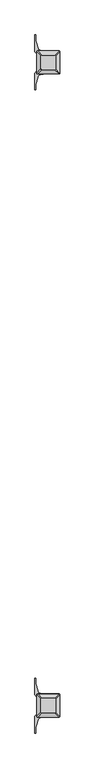
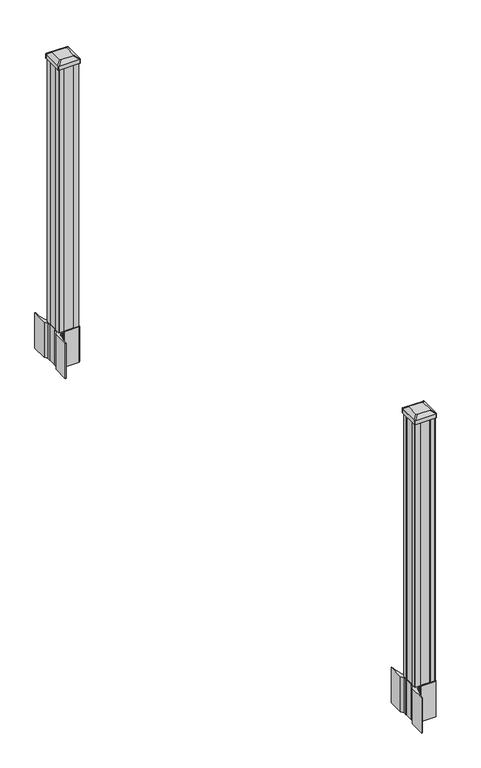
"""IFC4 building model written with IfcOpenShell, lengths in millimetres: railing geometry."""

from ifc_helpers import new_model, si_unit, point, frame, frame_2d, origin, origin_with_axes, place, context, project, spatial, polyline, circle_curve, trimmed, segment, composite_curve, outline, extrude, source, transform, mapped, element, save
from ifc_brep_helpers import plane_surface, extruded_surface, advanced_brep


def railing_b0189b07(model_context):
    return source(origin(), model_context, "Body", "SolidModel", [
        extrude(outline(composite_curve([segment(polyline([(3429.5106918, -83706.6749917), (3431.0981918, -83707.4369917), (3431.0981918, -83730.2389198), (3427.7252147, -83733.6118968), (3366.2655439, -83733.6118968), (3366.2655439, -83734.5326468), (3360.9480001, -83734.5326468), (3360.9480001, -83735.9869015), (3355.8634704, -83735.9869015), (3355.8634704, -83737.2709253), (3354.1961981, -83737.2709253)]), True, "CONTINUOUS"), segment(trimmed(circle_curve(frame_2d((3354.1961981, -83744.3303852)), 7.0594599), [point((3354.1961981, -83737.2709253))], [point((3347.4289352, -83742.3203785))], True, "CARTESIAN"), True, "CONTINUOUS"), segment(polyline([(3347.4289352, -83742.3203785), (3339.554741, -83768.8311076)]), True, "CONTINUOUS"), segment(trimmed(circle_curve(frame_2d((3394.3392543, -83785.1031573)), 57.15), [point((3339.554741, -83768.8311076))], [point((3337.1892543, -83785.1031573))], True, "CARTESIAN"), True, "CONTINUOUS"), segment(polyline([(3337.1892543, -83785.1031573), (3337.1892543, -83797.1118968), (3334.1892543, -83797.1118968), (3334.1892543, -83732.0243968), (3342.4521918, -83720.6861055), (3342.4521918, -83707.4369917), (3344.0396918, -83706.6749917), (3344.0396918, -83671.902802), (3342.4521918, -83671.140802), (3342.4521918, -83657.8916882), (3334.1892543, -83646.5533968), (3334.1892543, -83581.4658968), (3337.1892543, -83581.4658968), (3337.1892543, -83593.4746364)]), True, "CONTINUOUS"), segment(trimmed(circle_curve(frame_2d((3394.3392543, -83593.4746364)), 57.15), [point((3337.1892543, -83593.4746364))], [point((3339.554741, -83609.746686))], True, "CARTESIAN"), True, "CONTINUOUS"), segment(polyline([(3339.554741, -83609.746686), (3347.4289352, -83636.2574151)]), True, "CONTINUOUS"), segment(trimmed(circle_curve(frame_2d((3354.1961981, -83634.2474085)), 7.0594599), [point((3347.4289352, -83636.2574151))], [point((3354.1961981, -83641.3068683))], True, "CARTESIAN"), True, "CONTINUOUS"), segment(polyline([(3354.1961981, -83641.3068683), (3355.8634704, -83641.3068683), (3355.8634704, -83642.5908921), (3360.9480001, -83642.5908921), (3360.9480001, -83644.0451468), (3366.2655439, -83644.0451468), (3366.2655439, -83644.9658968), (3427.7252147, -83644.9658968), (3431.0981918, -83648.3388739), (3431.0981918, -83671.140802), (3429.5106918, -83671.902802), (3429.5106918, -83706.6749917)]), True, "CONTINUOUS")], self_intersect=False), holes=[polyline([(3345.5001918, -83649.6013968), (3345.5001918, -83728.9763968), (3347.0876918, -83730.5638968), (3384.0119744, -83730.5638968), (3426.4626918, -83730.5638968), (3428.0501918, -83728.9763968), (3428.0501918, -83649.6013968), (3426.4626918, -83648.0138968), (3384.0119744, -83648.0138968), (3347.0876918, -83648.0138968), (3345.5001918, -83649.6013968)])]), frame((0.0, 0.0, -152.4), z_axis=(0.0, 0.0, 1.0), x_axis=(1.0, 0.0, 0.0)), (0.0, 0.0, 1.0), 152.4),
        advanced_brep(
        [(3360.9783168, -83718.2607718, 1165.225), (3412.5720668, -83718.2607718, 1165.225), (3415.7470668, -83715.0857718, 1165.225), (3415.7470668, -83663.4920218, 1165.225), (3412.5720668, -83660.3170218, 1165.225), (3360.9783168, -83660.3170218, 1165.225), (3357.8033168, -83663.4920218, 1165.225), (3357.8033168, -83715.0857718, 1165.225), (3344.7064418, -83734.5326468, 1153.922), (3341.5314418, -83731.3576468, 1153.922), (3341.5314418, -83647.2201468, 1153.922), (3344.7064418, -83644.0451468, 1153.922), (3428.8439418, -83644.0451468, 1153.922), (3432.0189418, -83647.2201468, 1153.922), (3432.0189418, -83731.3576468, 1153.922), (3428.8439418, -83734.5326468, 1153.922)],
        [
            (0, 1),
            (1, 2, circle_curve(frame((3412.5720668, -83715.0857718, 1165.225), z_axis=(0.0, 0.0, 1.0), x_axis=(0.0, 1.0, 0.0)), 3.175)),
            (2, 3),
            (3, 4, circle_curve(frame((3412.5720668, -83663.4920218, 1165.225), z_axis=(0.0, 0.0, 1.0), x_axis=(0.0, 1.0, 0.0)), 3.175)),
            (4, 5),
            (5, 6, circle_curve(frame((3360.9783168, -83663.4920218, 1165.225), z_axis=(0.0, 0.0, 1.0), x_axis=(0.0, 1.0, 0.0)), 3.175)),
            (6, 7),
            (7, 0, circle_curve(frame((3360.9783168, -83715.0857718, 1165.225), z_axis=(0.0, 0.0, 1.0), x_axis=(0.0, 1.0, 0.0)), 3.175)),
            (8, 9, circle_curve(frame((3344.7064418, -83731.3576468, 1153.922), z_axis=(0.0, 0.0, -1.0), x_axis=(0.0, 1.0, 0.0)), 3.175)),
            (9, 10),
            (10, 11, circle_curve(frame((3344.7064418, -83647.2201468, 1153.922), z_axis=(0.0, 0.0, -1.0), x_axis=(0.0, 1.0, 0.0)), 3.175)),
            (11, 12),
            (12, 13, circle_curve(frame((3428.8439418, -83647.2201468, 1153.922), z_axis=(0.0, 0.0, -1.0), x_axis=(0.0, 1.0, 0.0)), 3.175)),
            (13, 14),
            (14, 15, circle_curve(frame((3428.8439418, -83731.3576468, 1153.922), z_axis=(0.0, 0.0, -1.0), x_axis=(0.0, 1.0, 0.0)), 3.175)),
            (15, 8),
            (8, 0),
            (7, 9),
            (6, 10),
            (5, 11),
            (4, 12),
            (3, 13),
            (2, 14),
            (1, 15),
        ],
        [
            plane_surface(frame((3386.7751918, -83689.2888968, 1165.225), z_axis=(0.0, 0.0, 1.0), x_axis=(-1.0, 0.0, 0.0))),
            plane_surface(frame((3386.7751918, -83689.2888968, 1153.922), z_axis=(0.0, 0.0, -1.0), x_axis=(-1.0, 0.0, 0.0))),
            extruded_surface(trimmed(circle_curve(frame((3360.9783168, -83715.0857718, 1165.225), z_axis=(0.0, 0.0, -1.0), x_axis=(0.0, 1.0, 0.0)), 3.175), [point((3360.9783168, -83718.2607718, 1165.225))], [point((3357.8033168, -83715.0857718, 1165.225))], True, "CARTESIAN"), (-16.27187499999991, -16.27187499999127, -11.302999999999884), 25.63797263886051),
            plane_surface(frame((3341.5314418, -83689.2888968, 1153.922), z_axis=(-0.5705009161540777, 0.0, 0.8212969649690409), x_axis=(0.0, 1.0, 0.0))),
            extruded_surface(trimmed(circle_curve(frame((3360.9783168, -83663.4920218, 1165.225), z_axis=(0.0, 0.0, -1.0), x_axis=(0.0, 1.0, 0.0)), 3.175), [point((3357.8033168, -83663.4920218, 1165.225))], [point((3360.9783168, -83660.3170218, 1165.225))], True, "CARTESIAN"), (-16.27187499999991, 16.27187500000582, -11.302999999999884), 25.637972638869748),
            plane_surface(frame((3386.7751918, -83644.0451468, 1153.922), z_axis=(0.0, 0.5705009161540291, 0.8212969649690747), x_axis=(1.0, 0.0, 0.0))),
            extruded_surface(trimmed(circle_curve(frame((3412.5720668, -83663.4920218, 1165.225), z_axis=(0.0, 0.0, -1.0), x_axis=(0.0, 1.0, 0.0)), 3.175), [point((3412.5720668, -83660.3170218, 1165.225))], [point((3415.7470668, -83663.4920218, 1165.225))], True, "CARTESIAN"), (16.27187499999991, 16.27187500000582, -11.302999999999884), 25.637972638869748),
            plane_surface(frame((3432.0189418, -83689.2888968, 1153.922), z_axis=(0.5705009161540143, 0.0, 0.821296964969085), x_axis=(0.0, -1.0, 0.0))),
            extruded_surface(trimmed(circle_curve(frame((3412.5720668, -83715.0857718, 1165.225), z_axis=(0.0, 0.0, -1.0), x_axis=(0.0, 1.0, 0.0)), 3.175), [point((3415.7470668, -83715.0857718, 1165.225))], [point((3412.5720668, -83718.2607718, 1165.225))], True, "CARTESIAN"), (16.27187499999991, -16.27187499999127, -11.302999999999884), 25.63797263886051),
            plane_surface(frame((3386.7751918, -83734.5326468, 1153.922), z_axis=(0.0, -0.570500916154034, 0.8212969649690713), x_axis=(-1.0, 0.0, 0.0))),
        ],
        [
            (0, [[1, 2, 3, 4, 5, 6, 7, 8]]),
            (1, [[9, 10, 11, 12, 13, 14, 15, 16]]),
            (2, [[17, -8, 18, -9]]),
            (3, [[-18, -7, 19, -10]]),
            (4, [[-19, -6, 20, -11]]),
            (5, [[-20, -5, 21, -12]]),
            (6, [[-21, -4, 22, -13]]),
            (7, [[-22, -3, 23, -14]]),
            (8, [[-23, -2, 24, -15]]),
            (9, [[-24, -1, -17, -16]]),
        ],
    ),
        extrude(outline(composite_curve([segment(trimmed(circle_curve(frame_2d((3344.7064418, -83731.3576468)), 3.175), [point((3344.7064418, -83734.5326468))], [point((3341.5314418, -83731.3576468))], False, "CARTESIAN"), True, "CONTINUOUS"), segment(polyline([(3341.5314418, -83731.3576468), (3341.5314418, -83647.2201468)]), True, "CONTINUOUS"), segment(trimmed(circle_curve(frame_2d((3344.7064418, -83647.2201468)), 3.175), [point((3341.5314418, -83647.2201468))], [point((3344.7064418, -83644.0451468))], False, "CARTESIAN"), True, "CONTINUOUS"), segment(polyline([(3344.7064418, -83644.0451468), (3428.8439418, -83644.0451468)]), True, "CONTINUOUS"), segment(trimmed(circle_curve(frame_2d((3428.8439418, -83647.2201468)), 3.175), [point((3428.8439418, -83644.0451468))], [point((3432.0189418, -83647.2201468))], False, "CARTESIAN"), True, "CONTINUOUS"), segment(polyline([(3432.0189418, -83647.2201468), (3432.0189418, -83731.3576468)]), True, "CONTINUOUS"), segment(trimmed(circle_curve(frame_2d((3428.8439418, -83731.3576468)), 3.175), [point((3432.0189418, -83731.3576468))], [point((3428.8439418, -83734.5326468))], False, "CARTESIAN"), True, "CONTINUOUS"), segment(polyline([(3428.8439418, -83734.5326468), (3344.7064418, -83734.5326468)]), True, "CONTINUOUS")], self_intersect=False)), frame((0.0, 0.0, 1136.65), z_axis=(0.0, 0.0, 1.0), x_axis=(1.0, 0.0, 0.0)), (0.0, 0.0, 1.0), 17.272),
        extrude(outline(polyline([(3347.0876918, -83730.5638968), (3345.5001918, -83728.9763968), (3345.5001918, -83709.3548968), (3347.0876918, -83708.5928968), (3347.0876918, -83669.9848968), (3345.5001918, -83669.2228968), (3345.5001918, -83649.6013968), (3347.0876918, -83648.0138968), (3366.7091918, -83648.0138968), (3367.4711918, -83649.6013968), (3406.0791918, -83649.6013968), (3406.8411918, -83648.0138968), (3426.4626918, -83648.0138968), (3428.0501918, -83649.6013968), (3428.0501918, -83669.2228968), (3426.4626918, -83669.9848968), (3426.4626918, -83708.5928968), (3428.0501918, -83709.3548968), (3428.0501918, -83728.9763968), (3426.4626918, -83730.5638968), (3406.8411918, -83730.5638968), (3406.0791918, -83728.9763968), (3367.4711918, -83728.9763968), (3366.7091918, -83730.5638968), (3347.0876918, -83730.5638968)])), origin_with_axes(), (0.0, 0.0, 1.0), 1136.65),
        extrude(outline(composite_curve([segment(polyline([(3429.5106918, -86227.8789917), (3431.0981918, -86228.6409917), (3431.0981918, -86251.4429198), (3427.7252147, -86254.8158968), (3366.2655439, -86254.8158968), (3366.2655439, -86255.7366468), (3360.9480001, -86255.7366468), (3360.9480001, -86257.1909015), (3355.8634704, -86257.1909015), (3355.8634704, -86258.4749253), (3354.1961981, -86258.4749253)]), True, "CONTINUOUS"), segment(trimmed(circle_curve(frame_2d((3354.1961981, -86265.5343852)), 7.0594599), [point((3354.1961981, -86258.4749253))], [point((3347.4289352, -86263.5243785))], True, "CARTESIAN"), True, "CONTINUOUS"), segment(polyline([(3347.4289352, -86263.5243785), (3339.554741, -86290.0351076)]), True, "CONTINUOUS"), segment(trimmed(circle_curve(frame_2d((3394.3392543, -86306.3071573)), 57.15), [point((3339.554741, -86290.0351076))], [point((3337.1892543, -86306.3071573))], True, "CARTESIAN"), True, "CONTINUOUS"), segment(polyline([(3337.1892543, -86306.3071573), (3337.1892543, -86318.3158968), (3334.1892543, -86318.3158968), (3334.1892543, -86253.2283968), (3342.4521918, -86241.8901055), (3342.4521918, -86228.6409917), (3344.0396918, -86227.8789917), (3344.0396918, -86193.106802), (3342.4521918, -86192.344802), (3342.4521918, -86179.0956882), (3334.1892543, -86167.7573968), (3334.1892543, -86102.6698968), (3337.1892543, -86102.6698968), (3337.1892543, -86114.6786364)]), True, "CONTINUOUS"), segment(trimmed(circle_curve(frame_2d((3394.3392543, -86114.6786364)), 57.15), [point((3337.1892543, -86114.6786364))], [point((3339.554741, -86130.950686))], True, "CARTESIAN"), True, "CONTINUOUS"), segment(polyline([(3339.554741, -86130.950686), (3347.4289352, -86157.4614151)]), True, "CONTINUOUS"), segment(trimmed(circle_curve(frame_2d((3354.1961981, -86155.4514085)), 7.0594599), [point((3347.4289352, -86157.4614151))], [point((3354.1961981, -86162.5108683))], True, "CARTESIAN"), True, "CONTINUOUS"), segment(polyline([(3354.1961981, -86162.5108683), (3355.8634704, -86162.5108683), (3355.8634704, -86163.7948921), (3360.9480001, -86163.7948921), (3360.9480001, -86165.2491468), (3366.2655439, -86165.2491468), (3366.2655439, -86166.1698968), (3427.7252147, -86166.1698968), (3431.0981918, -86169.5428739), (3431.0981918, -86192.344802), (3429.5106918, -86193.106802), (3429.5106918, -86227.8789917)]), True, "CONTINUOUS")], self_intersect=False), holes=[polyline([(3345.5001918, -86170.8053968), (3345.5001918, -86250.1803968), (3347.0876918, -86251.7678968), (3384.0119744, -86251.7678968), (3426.4626918, -86251.7678968), (3428.0501918, -86250.1803968), (3428.0501918, -86170.8053968), (3426.4626918, -86169.2178968), (3384.0119744, -86169.2178968), (3347.0876918, -86169.2178968), (3345.5001918, -86170.8053968)])]), frame((0.0, 0.0, -152.4), z_axis=(0.0, 0.0, 1.0), x_axis=(1.0, 0.0, 0.0)), (0.0, 0.0, 1.0), 152.4),
        advanced_brep(
        [(3360.9783168, -86239.4647718, 1165.225), (3412.5720668, -86239.4647718, 1165.225), (3415.7470668, -86236.2897718, 1165.225), (3415.7470668, -86184.6960218, 1165.225), (3412.5720668, -86181.5210218, 1165.225), (3360.9783168, -86181.5210218, 1165.225), (3357.8033168, -86184.6960218, 1165.225), (3357.8033168, -86236.2897718, 1165.225), (3344.7064418, -86255.7366468, 1153.922), (3341.5314418, -86252.5616468, 1153.922), (3341.5314418, -86168.4241468, 1153.922), (3344.7064418, -86165.2491468, 1153.922), (3428.8439418, -86165.2491468, 1153.922), (3432.0189418, -86168.4241468, 1153.922), (3432.0189418, -86252.5616468, 1153.922), (3428.8439418, -86255.7366468, 1153.922)],
        [
            (0, 1),
            (1, 2, circle_curve(frame((3412.5720668, -86236.2897718, 1165.225), z_axis=(0.0, 0.0, 1.0), x_axis=(0.0, 1.0, 0.0)), 3.175)),
            (2, 3),
            (3, 4, circle_curve(frame((3412.5720668, -86184.6960218, 1165.225), z_axis=(0.0, 0.0, 1.0), x_axis=(0.0, 1.0, 0.0)), 3.175)),
            (4, 5),
            (5, 6, circle_curve(frame((3360.9783168, -86184.6960218, 1165.225), z_axis=(0.0, 0.0, 1.0), x_axis=(0.0, 1.0, 0.0)), 3.175)),
            (6, 7),
            (7, 0, circle_curve(frame((3360.9783168, -86236.2897718, 1165.225), z_axis=(0.0, 0.0, 1.0), x_axis=(0.0, 1.0, 0.0)), 3.175)),
            (8, 9, circle_curve(frame((3344.7064418, -86252.5616468, 1153.922), z_axis=(0.0, 0.0, -1.0), x_axis=(0.0, 1.0, 0.0)), 3.175)),
            (9, 10),
            (10, 11, circle_curve(frame((3344.7064418, -86168.4241468, 1153.922), z_axis=(0.0, 0.0, -1.0), x_axis=(0.0, 1.0, 0.0)), 3.175)),
            (11, 12),
            (12, 13, circle_curve(frame((3428.8439418, -86168.4241468, 1153.922), z_axis=(0.0, 0.0, -1.0), x_axis=(0.0, 1.0, 0.0)), 3.175)),
            (13, 14),
            (14, 15, circle_curve(frame((3428.8439418, -86252.5616468, 1153.922), z_axis=(0.0, 0.0, -1.0), x_axis=(0.0, 1.0, 0.0)), 3.175)),
            (15, 8),
            (8, 0),
            (7, 9),
            (6, 10),
            (5, 11),
            (4, 12),
            (3, 13),
            (2, 14),
            (1, 15),
        ],
        [
            plane_surface(frame((3386.7751918, -86210.4928968, 1165.225), z_axis=(0.0, 0.0, 1.0), x_axis=(-1.0, 0.0, 0.0))),
            plane_surface(frame((3386.7751918, -86210.4928968, 1153.922), z_axis=(0.0, 0.0, -1.0), x_axis=(-1.0, 0.0, 0.0))),
            extruded_surface(trimmed(circle_curve(frame((3360.9783168, -86236.2897718, 1165.225), z_axis=(0.0, 0.0, -1.0), x_axis=(0.0, 1.0, 0.0)), 3.175), [point((3360.9783168, -86239.4647718, 1165.225))], [point((3357.8033168, -86236.2897718, 1165.225))], True, "CARTESIAN"), (-16.27187499999991, -16.27187499999127, -11.302999999999884), 25.63797263886051),
            plane_surface(frame((3341.5314418, -86210.4928968, 1153.922), z_axis=(-0.5705009161540777, 0.0, 0.8212969649690409), x_axis=(0.0, 1.0, 0.0))),
            extruded_surface(trimmed(circle_curve(frame((3360.9783168, -86184.6960218, 1165.225), z_axis=(0.0, 0.0, -1.0), x_axis=(0.0, 1.0, 0.0)), 3.175), [point((3357.8033168, -86184.6960218, 1165.225))], [point((3360.9783168, -86181.5210218, 1165.225))], True, "CARTESIAN"), (-16.27187499999991, 16.27187500000582, -11.302999999999884), 25.637972638869748),
            plane_surface(frame((3386.7751918, -86165.2491468, 1153.922), z_axis=(0.0, 0.5705009161540291, 0.8212969649690747), x_axis=(1.0, 0.0, 0.0))),
            extruded_surface(trimmed(circle_curve(frame((3412.5720668, -86184.6960218, 1165.225), z_axis=(0.0, 0.0, -1.0), x_axis=(0.0, 1.0, 0.0)), 3.175), [point((3412.5720668, -86181.5210218, 1165.225))], [point((3415.7470668, -86184.6960218, 1165.225))], True, "CARTESIAN"), (16.27187499999991, 16.27187500000582, -11.302999999999884), 25.637972638869748),
            plane_surface(frame((3432.0189418, -86210.4928968, 1153.922), z_axis=(0.5705009161540143, 0.0, 0.821296964969085), x_axis=(0.0, -1.0, 0.0))),
            extruded_surface(trimmed(circle_curve(frame((3412.5720668, -86236.2897718, 1165.225), z_axis=(0.0, 0.0, -1.0), x_axis=(0.0, 1.0, 0.0)), 3.175), [point((3415.7470668, -86236.2897718, 1165.225))], [point((3412.5720668, -86239.4647718, 1165.225))], True, "CARTESIAN"), (16.27187499999991, -16.27187499999127, -11.302999999999884), 25.63797263886051),
            plane_surface(frame((3386.7751918, -86255.7366468, 1153.922), z_axis=(0.0, -0.570500916154034, 0.8212969649690713), x_axis=(-1.0, 0.0, 0.0))),
        ],
        [
            (0, [[1, 2, 3, 4, 5, 6, 7, 8]]),
            (1, [[9, 10, 11, 12, 13, 14, 15, 16]]),
            (2, [[17, -8, 18, -9]]),
            (3, [[-18, -7, 19, -10]]),
            (4, [[-19, -6, 20, -11]]),
            (5, [[-20, -5, 21, -12]]),
            (6, [[-21, -4, 22, -13]]),
            (7, [[-22, -3, 23, -14]]),
            (8, [[-23, -2, 24, -15]]),
            (9, [[-24, -1, -17, -16]]),
        ],
    ),
        extrude(outline(composite_curve([segment(trimmed(circle_curve(frame_2d((3344.7064418, -86252.5616468)), 3.175), [point((3344.7064418, -86255.7366468))], [point((3341.5314418, -86252.5616468))], False, "CARTESIAN"), True, "CONTINUOUS"), segment(polyline([(3341.5314418, -86252.5616468), (3341.5314418, -86168.4241468)]), True, "CONTINUOUS"), segment(trimmed(circle_curve(frame_2d((3344.7064418, -86168.4241468)), 3.175), [point((3341.5314418, -86168.4241468))], [point((3344.7064418, -86165.2491468))], False, "CARTESIAN"), True, "CONTINUOUS"), segment(polyline([(3344.7064418, -86165.2491468), (3428.8439418, -86165.2491468)]), True, "CONTINUOUS"), segment(trimmed(circle_curve(frame_2d((3428.8439418, -86168.4241468)), 3.175), [point((3428.8439418, -86165.2491468))], [point((3432.0189418, -86168.4241468))], False, "CARTESIAN"), True, "CONTINUOUS"), segment(polyline([(3432.0189418, -86168.4241468), (3432.0189418, -86252.5616468)]), True, "CONTINUOUS"), segment(trimmed(circle_curve(frame_2d((3428.8439418, -86252.5616468)), 3.175), [point((3432.0189418, -86252.5616468))], [point((3428.8439418, -86255.7366468))], False, "CARTESIAN"), True, "CONTINUOUS"), segment(polyline([(3428.8439418, -86255.7366468), (3344.7064418, -86255.7366468)]), True, "CONTINUOUS")], self_intersect=False)), frame((0.0, 0.0, 1136.65), z_axis=(0.0, 0.0, 1.0), x_axis=(1.0, 0.0, 0.0)), (0.0, 0.0, 1.0), 17.272),
        extrude(outline(polyline([(3347.0876918, -86251.7678968), (3345.5001918, -86250.1803968), (3345.5001918, -86230.5588968), (3347.0876918, -86229.7968968), (3347.0876918, -86191.1888968), (3345.5001918, -86190.4268968), (3345.5001918, -86170.8053968), (3347.0876918, -86169.2178968), (3366.7091918, -86169.2178968), (3367.4711918, -86170.8053968), (3406.0791918, -86170.8053968), (3406.8411918, -86169.2178968), (3426.4626918, -86169.2178968), (3428.0501918, -86170.8053968), (3428.0501918, -86190.4268968), (3426.4626918, -86191.1888968), (3426.4626918, -86229.7968968), (3428.0501918, -86230.5588968), (3428.0501918, -86250.1803968), (3426.4626918, -86251.7678968), (3406.8411918, -86251.7678968), (3406.0791918, -86250.1803968), (3367.4711918, -86250.1803968), (3366.7091918, -86251.7678968), (3347.0876918, -86251.7678968)])), origin_with_axes(), (0.0, 0.0, 1.0), 1136.65),
    ])


if __name__ == "__main__":
    model = new_model("IFC4")
    model_context = context("Model", 3, world=origin())
    ifc_project = project(units=[si_unit("LENGTHUNIT", "METRE", prefix="MILLI")], contexts=[model_context])
    site = spatial("IfcSite", under=ifc_project)
    building = spatial("IfcBuilding", under=site)
    placement = place(None, origin())
    railing_shape = railing_b0189b07(model_context)
    element("IfcRailing", 1, at=placement, inside=building, context=model_context, shape_type="MappedRepresentation", body=[
        mapped(railing_shape, transform((0.0, 0.0, 0.0), x_axis=(1.0, 0.0, 0.0), y_axis=(0.0, 1.0, 0.0), z_axis=(0.0, 0.0, 1.0))),
    ])
    save(model, "model.ifc")
